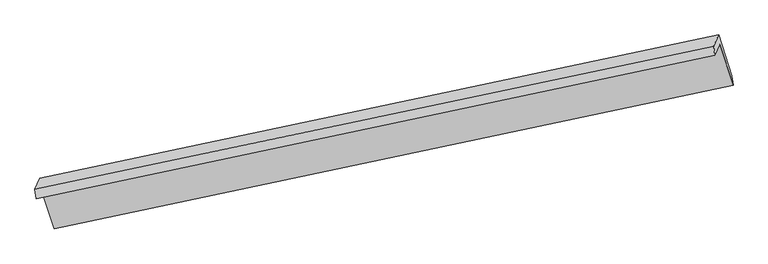
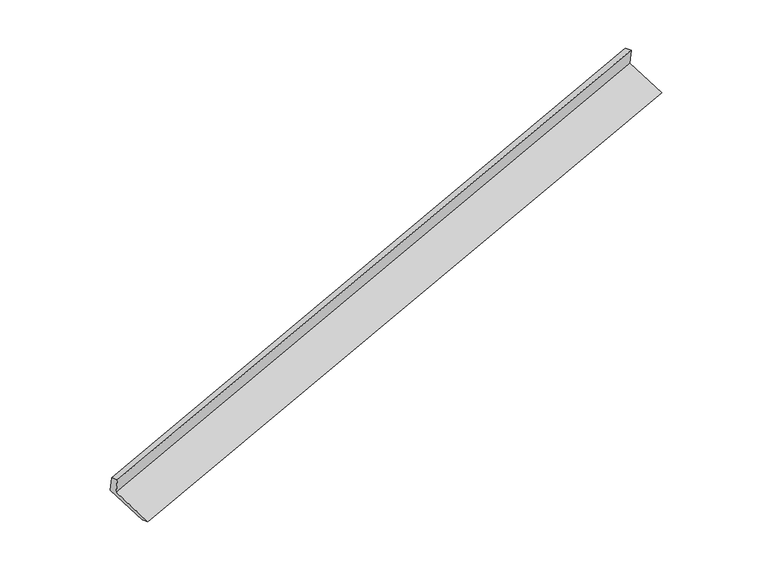
"""IFC4 building model written with IfcOpenShell, lengths in millimetres: proxy geometry."""

from ifc_helpers import new_model, si_unit, frame, origin, place, context, project, spatial, source, transform, mapped, element, save
from ifc_brep_helpers import plane_surface, spline_surface, advanced_brep


def generic_models_d0aced4e(model_context):
    return source(origin(), model_context, "Body", "AdvancedBrep", [
        advanced_brep(
        [(-8449.8776736, -2635.473979, 660.0961708), (-8374.1045632, -2463.2562018, 284.2258061), (2578.1797377, -144.2107422, 3532.3213595), (2498.8012345, -324.6228869, 3926.0761724), (-8468.2540988, -2484.3204481, 614.8681749), (2480.4248093, -173.4693561, 3880.8481765), (-8391.0835314, -2308.9265187, 232.0657643), (2559.3980731, 6.0217572, 3489.1035419), (-8176.0405632, -2965.115198, -25.238057), (2774.4410413, -650.1669221, 3231.7997206), (-8158.1999644, -3122.0740871, 25.8910241), (2794.0843365, -803.0286275, 3273.9865775)],
        [
            (0, 1),
            (1, 2),
            (2, 3),
            (3, 0),
            (4, 0),
            (3, 5),
            (5, 4),
            (6, 4),
            (5, 7),
            (7, 6),
            (8, 6),
            (7, 9),
            (9, 8),
            (10, 8),
            (9, 11),
            (11, 10),
            (1, 10),
            (11, 2),
        ],
        [
            plane_surface(frame((-8411.9911184, -2549.3650904, 472.1609885), z_axis=(0.2920661196151925, -0.8904107456939642, -0.3490932335718396), x_axis=(0.18026963418952846, 0.4097183751236711, -0.8942224063817639))),
            plane_surface(frame((-8459.0658862, -2559.8972135, 637.4821729), z_axis=(-0.3230644684193319, 0.23502622976437273, 0.916728978797812), x_axis=(0.11569025361760636, -0.9515991339993845, 0.2847364630487561))),
            plane_surface(frame((-8429.6688151, -2396.6234834, 423.4669696), z_axis=(-0.29206611961520956, 0.8904107456939285, 0.34909323357191635), x_axis=(-0.18026963418927824, -0.4097183751237005, 0.8942224063818008))),
            plane_surface(frame((-8283.5620473, -2637.0208583, 103.4138537), z_axis=(0.17946374249237546, 0.4095483607240532, -0.8944623554733152), x_axis=(-0.29181822239737915, 0.8904630342429141, 0.34916716587293356))),
            spline_surface(1, 1, [[(-8158.1999644, -3122.0740871, 25.8910241), (2794.0843365, -803.0286275, 3273.9865775)], [(-8176.0405632, -2965.115198, -25.238057), (2774.4410413, -650.1669221, 3231.7997206)]], [2, 2], [2, 2], [0.0, 1.0], [0.0, 1.0]),
            plane_surface(frame((-8266.1522638, -2792.6651444, 155.0584151), z_axis=(-0.17865771990701673, -0.4093780451714319, 0.8947016459408372), x_axis=(0.29181822239737937, -0.8904630342429362, -0.3491671658728771))),
            plane_surface(frame((2614.2215387, -348.2461296, 3555.6892581), z_axis=(0.9393322011227445, 0.19800615579542313, 0.28008673335418566), x_axis=(-0.29181822239737915, 0.8904630342429141, 0.34916716587293356))),
            plane_surface(frame((-8336.2600658, -2663.1944054, 298.6514805), z_axis=(-0.939332201122736, -0.19800615579519282, -0.2800867333543771), x_axis=(-0.18026963418954936, -0.4097183751236916, 0.8942224063817502))),
        ],
        [
            (0, [[1, 2, 3, 4]]),
            (1, [[5, -4, 6, 7]]),
            (2, [[8, -7, 9, 10]]),
            (3, [[11, -10, 12, 13]]),
            (4, [[14, -13, 15, 16]]),
            (5, [[17, -16, 18, -2]]),
            (6, [[-12, -9, -6, -3, -18, -15]]),
            (7, [[-1, -5, -8, -11, -14, -17]]),
        ],
    ),
    ])


if __name__ == "__main__":
    model = new_model("IFC4")
    model_context = context("Model", 3, world=origin())
    ifc_project = project(units=[si_unit("LENGTHUNIT", "METRE", prefix="MILLI")], contexts=[model_context])
    site = spatial("IfcSite", under=ifc_project)
    building = spatial("IfcBuilding", under=site)
    placement = place(None, origin())
    generic_models_shape = generic_models_d0aced4e(model_context)
    element("IfcBuildingElementProxy", 1, Name="Generic Models", at=placement, inside=building, context=model_context, shape_type="MappedRepresentation", body=[
        mapped(generic_models_shape, transform((0.0, 0.0, 0.0), x_axis=(1.0, 0.0, 0.0), y_axis=(0.0, 1.0, 0.0), z_axis=(0.0, 0.0, 1.0))),
    ])
    save(model, "model.ifc")
